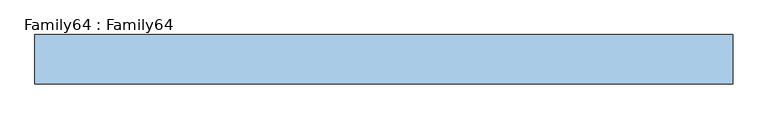
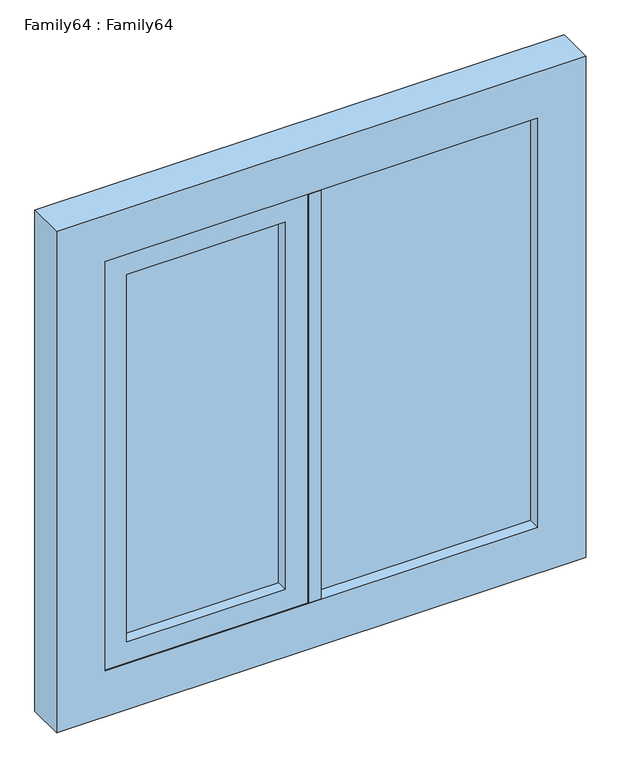
"""IFC4 building model written with IfcOpenShell, lengths in millimetres: window geometry, Family64 : Family64."""

from ifc_helpers import new_model, si_unit, frame, origin, place, context, project, spatial, polyline, outline, extrude, source, transform, mapped, element, save


def family64_family64_7fdf4271(model_context):
    return source(origin(), model_context, "Body", "SweptSolid", [
        extrude(outline(polyline([(486.0, 14.0), (486.0, 10.0), (0.0, 10.0), (0.0, 14.0), (486.0, 14.0)])), frame((0.0, 0.0, 909.0), z_axis=(0.0, 0.0, 1.0), x_axis=(1.0, 0.0, 0.0)), (0.0, 0.0, 1.0), 972.0),
        extrude(outline(polyline([(0.0, -10.0), (486.0, -10.0), (486.0, -14.0), (0.0, -14.0), (0.0, -10.0)])), frame((0.0, 0.0, 909.0), z_axis=(0.0, 0.0, 1.0), x_axis=(1.0, 0.0, 0.0)), (0.0, 0.0, 1.0), 972.0),
        extrude(outline(polyline([(-80.0, 14.0), (-80.0, 10.0), (-436.0, 10.0), (-436.0, 14.0), (-80.0, 14.0)])), frame((0.0, 0.0, 959.0), z_axis=(0.0, 0.0, 1.0), x_axis=(1.0, 0.0, 0.0)), (0.0, 0.0, 1.0), 872.0),
        extrude(outline(polyline([(-80.0, -10.0), (-80.0, -14.0), (-436.0, -14.0), (-436.0, -10.0), (-80.0, -10.0)])), frame((0.0, 0.0, 959.0), z_axis=(0.0, 0.0, 1.0), x_axis=(1.0, 0.0, 0.0)), (0.0, 0.0, 1.0), 872.0),
        extrude(outline(polyline([(0.0, -42.0), (-27.4945996, -42.0), (-27.4945996, 42.0), (0.0, 42.0), (0.0, -42.0)])), frame((0.0, 0.0, 909.0), z_axis=(0.0, 0.0, 1.0), x_axis=(1.0, 0.0, 0.0)), (0.0, 0.0, 1.0), 972.0),
        extrude(outline(polyline([(1881.0, -30.0), (1881.0, -486.0), (909.0, -486.0), (909.0, -30.0), (1881.0, -30.0)]), holes=[polyline([(1831.0, -80.0), (959.0, -80.0), (959.0, -436.0), (1831.0, -436.0), (1831.0, -80.0)])]), frame((0.0, -40.0, 0.0), z_axis=(0.0, 1.0, 0.0), x_axis=(0.0, 0.0, 1.0)), (0.0, 0.0, 1.0), 80.0),
        extrude(outline(polyline([(1990.0, 595.0), (1990.0, -595.0), (800.0, -595.0), (800.0, 595.0), (1990.0, 595.0)]), holes=[polyline([(909.0, 486.0), (909.0, -486.0), (1881.0, -486.0), (1881.0, 486.0), (909.0, 486.0)])]), frame((0.0, -42.0, 0.0), z_axis=(0.0, 1.0, 0.0), x_axis=(0.0, 0.0, 1.0)), (0.0, 0.0, 1.0), 84.0),
    ])


if __name__ == "__main__":
    model = new_model("IFC4")
    model_context = context("Model", 3, world=origin())
    ifc_project = project(units=[si_unit("LENGTHUNIT", "METRE", prefix="MILLI")], contexts=[model_context])
    site = spatial("IfcSite", under=ifc_project)
    building = spatial("IfcBuilding", under=site)
    placement = place(None, origin())
    family64_family64_shape = family64_family64_7fdf4271(model_context)
    element("IfcWindow", 1, ObjectType="Family64 : Family64", at=placement, inside=building, context=model_context, shape_type="MappedRepresentation", body=[
        mapped(family64_family64_shape, transform((0.0, 0.0, 0.0), x_axis=(1.0, 0.0, 0.0), y_axis=(0.0, 1.0, 0.0), z_axis=(0.0, 0.0, 1.0))),
    ])
    save(model, "model.ifc")
